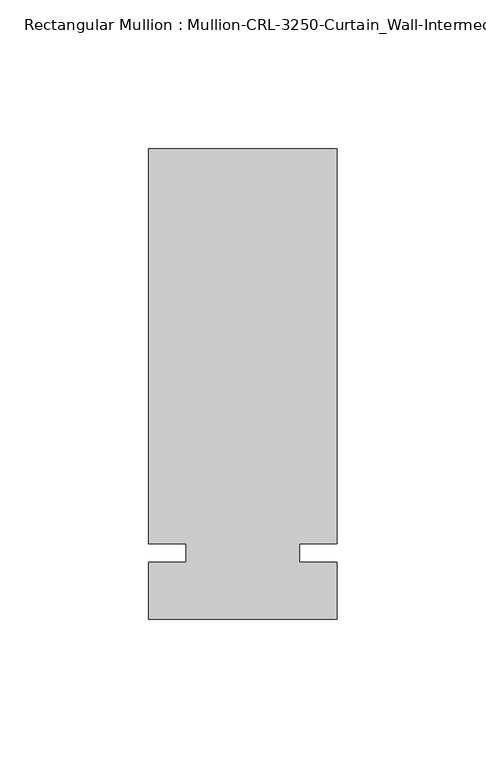
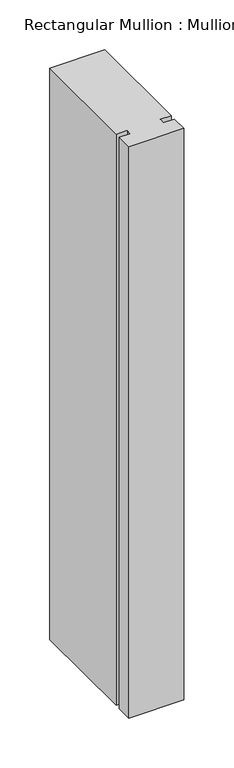
"""IFC4 building model written with IfcOpenShell, lengths in millimetres: member geometry."""

import ifcopenshell
import ifcopenshell.guid

model = None  # the IFC model being written
_history = None  # IfcOwnerHistory: only IFC2X3 demands one
_inside = {}  # id of a spatial element -> (the spatial element, [elements in it])
_under = {}  # id of a project, library or spatial element -> (it, [spatial elements below it])
_declared = {}  # id of a project -> (the project, [libraries it declares])
_typed = {}  # id of a type object -> (the type object, [elements of that type])
_made_of = {}  # id of a material, layer set ... -> (it, [elements and type objects made of it])


def new_model(schema):
    """Start an empty IFC model of exactly this schema.

    Asked for "IFC4X3", IfcOpenShell would pick the latest addendum, in which some entities
    have other attributes; the version numbers below select the first issue.
    IFC2X3 requires an IfcOwnerHistory on every rooted entity: one is made here for all.
    """
    global model, _history
    if schema == "IFC4X3":
        model = ifcopenshell.file(schema_version=(4, 3, 0, 0))
    else:
        model = ifcopenshell.file(schema=schema)
    _inside.clear()
    _under.clear()
    _declared.clear()
    _typed.clear()
    _made_of.clear()
    _history = None
    if model.schema == "IFC2X3":
        org = make("IfcOrganization", Name="unknown")
        user = make(
            "IfcPersonAndOrganization",
            ThePerson=make("IfcPerson", FamilyName="unknown"),
            TheOrganization=org,
        )
        app = make(
            "IfcApplication",
            ApplicationDeveloper=org,
            Version="unknown",
            ApplicationFullName="unknown",
            ApplicationIdentifier="unknown",
        )
        _history = make(
            "IfcOwnerHistory",
            OwningUser=user,
            OwningApplication=app,
            ChangeAction="ADDED",
            CreationDate=0,
        )
    return model


def make(cls, **values):
    """One entity of the class cls with the attributes given. An attribute that is None is left unset."""
    return model.create_entity(
        cls, **{name: value for name, value in values.items() if value is not None}
    )


def rooted(cls, **values):
    """An entity with a GlobalId (a new one), such as an element, a storey or a relation."""
    return make(cls, GlobalId=ifcopenshell.guid.new(), OwnerHistory=_history, **values)


def si_unit(unit_type, name, prefix=None):
    """IfcSIUnit, for example si_unit("LENGTHUNIT", "METRE", prefix="MILLI")."""
    return make("IfcSIUnit", UnitType=unit_type, Prefix=prefix, Name=name)


def assignment(units):
    """IfcUnitAssignment: the units of a project."""
    return None if units is None else make("IfcUnitAssignment", Units=units)


def point(xyz):
    """IfcCartesianPoint."""
    return None if xyz is None else make("IfcCartesianPoint", Coordinates=xyz)


def direction(xyz):
    """IfcDirection."""
    return None if xyz is None else make("IfcDirection", DirectionRatios=xyz)


def frame(location, z_axis=None, x_axis=None):
    """IfcAxis2Placement3D, a coordinate frame: its origin and axes. An axis left out is left unset."""
    return make(
        "IfcAxis2Placement3D",
        Location=point(location),
        Axis=direction(z_axis),
        RefDirection=direction(x_axis),
    )


def origin():
    """The frame at (0, 0, 0) with its axes left unset."""
    return frame((0.0, 0.0, 0.0))


def place(relative_to, where):
    """IfcLocalPlacement: puts the frame where relative to a parent placement (None: the world)."""
    return make(
        "IfcLocalPlacement", PlacementRelTo=relative_to, RelativePlacement=where
    )


def context(
    kind, dimensions, precision=None, world=None, true_north=None, identifier=None
):
    """IfcGeometricRepresentationContext, for example the 3D "Model" context."""
    return make(
        "IfcGeometricRepresentationContext",
        ContextIdentifier=identifier,
        ContextType=kind,
        CoordinateSpaceDimension=dimensions,
        Precision=precision,
        WorldCoordinateSystem=world,
        TrueNorth=true_north,
    )


def project(units=None, contexts=None):
    """IfcProject with its units and contexts."""
    return rooted(
        "IfcProject",
        Name="project",
        RepresentationContexts=contexts,
        UnitsInContext=assignment(units),
    )


def spatial(cls, under=None, at=None, **own):
    """A site, building, storey or space (cls), placed at a placement, below another one or the project."""
    s = rooted(cls, ObjectPlacement=at, **own)
    if under is not None:
        _under.setdefault(under.id(), (under, []))[1].append(s)
    return s


def polyline(points):
    """IfcPolyline through the points."""
    return make("IfcPolyline", Points=[point(p) for p in points])


def outline(outer, holes=None, kind="AREA"):
    """IfcArbitraryClosedProfileDef: a profile drawn as a closed curve; with holes, ...WithVoids."""
    if holes is None:
        return make("IfcArbitraryClosedProfileDef", ProfileType=kind, OuterCurve=outer)
    return make(
        "IfcArbitraryProfileDefWithVoids",
        ProfileType=kind,
        OuterCurve=outer,
        InnerCurves=holes,
    )


def extrude(swept, where, along, depth):
    """IfcExtrudedAreaSolid: the profile swept, set in the frame where, extruded along a direction by depth."""
    return make(
        "IfcExtrudedAreaSolid",
        SweptArea=swept,
        Position=where,
        ExtrudedDirection=direction(along),
        Depth=depth,
    )


def shape(context_of_items, identifier, shape_type, items):
    """IfcShapeRepresentation: the items that make up one representation, for example the "Body"."""
    return make(
        "IfcShapeRepresentation",
        ContextOfItems=context_of_items,
        RepresentationIdentifier=identifier,
        RepresentationType=shape_type,
        Items=items,
    )


def source(mapping_origin, context_of_items, identifier, shape_type, items):
    """IfcRepresentationMap: a shape defined once, which mapped items show again and again."""
    return make(
        "IfcRepresentationMap",
        MappingOrigin=mapping_origin,
        MappedRepresentation=shape(context_of_items, identifier, shape_type, items),
    )


def transform(
    local_origin,
    x_axis=None,
    y_axis=None,
    z_axis=None,
    scale=None,
    scale2=None,
    scale3=None,
    uniform=True,
):
    """IfcCartesianTransformationOperator3D, or its non-uniform kind. x_axis, y_axis, z_axis: its Axis1, 2, 3."""
    if uniform:
        return make(
            "IfcCartesianTransformationOperator3D",
            Axis1=direction(x_axis),
            Axis2=direction(y_axis),
            LocalOrigin=point(local_origin),
            Scale=scale,
            Axis3=direction(z_axis),
        )
    return make(
        "IfcCartesianTransformationOperator3DnonUniform",
        Axis1=direction(x_axis),
        Axis2=direction(y_axis),
        LocalOrigin=point(local_origin),
        Scale=scale,
        Axis3=direction(z_axis),
        Scale2=scale2,
        Scale3=scale3,
    )


def mapped(mapping_source, mapping_target):
    """IfcMappedItem: shows the shape of a source again, moved by a transform."""
    return make(
        "IfcMappedItem", MappingSource=mapping_source, MappingTarget=mapping_target
    )


def made_of(thing, what):
    """Note that an element or type object is made of a material, layer set ...; save() writes the relation."""
    if what is not None:
        _made_of.setdefault(what.id(), (what, []))[1].append(thing)
    return thing


def element(
    cls,
    number,
    at=None,
    inside=None,
    cuts=None,
    type_object=None,
    material=None,
    context=None,
    identifier="Body",
    shape_type=None,
    held_by="IfcProductDefinitionShape",
    body=None,
    shapes=None,
    **own,
):
    """One element of the class cls, such as IfcWall. Its Tag is "e" and its number.

    at: its placement. inside: the storey or other place that contains it. cuts: it is an
    opening in that element (IfcRelVoidsElement). A single representation is given by context,
    identifier, shape_type and body (its items); several are given by shapes. held_by: the class
    of the entity that holds the representations. save() writes the other relations.
    """
    e = rooted(cls, Tag="e%d" % number, ObjectPlacement=at, **own)
    if body is not None:
        shapes = [shape(context, identifier, shape_type, body)]
    if shapes is not None:
        e.Representation = make(held_by, Representations=shapes)
    if inside is not None:
        _inside.setdefault(inside.id(), (inside, []))[1].append(e)
    if cuts is not None:
        rooted(
            "IfcRelVoidsElement", RelatingBuildingElement=cuts, RelatedOpeningElement=e
        )
    if type_object is not None:
        _typed.setdefault(type_object.id(), (type_object, []))[1].append(e)
    return made_of(e, material)


def aggregate(whole, parts):
    """IfcRelAggregates: a whole, such as a stair, and the parts it consists of."""
    return rooted("IfcRelAggregates", RelatingObject=whole, RelatedObjects=parts)


def save(model, path):
    """Write the relations noted so far, then the file.

    IfcRelAggregates (storeys below a building ...), IfcRelContainedInSpatialStructure (elements
    in a storey), IfcRelDefinesByType, IfcRelAssociatesMaterial and IfcRelDeclares: one each for
    every whole, place, type object, material and project.
    """
    for whole, parts in _under.values():
        aggregate(whole, parts)
    for where, things in _inside.values():
        rooted(
            "IfcRelContainedInSpatialStructure",
            RelatedElements=things,
            RelatingStructure=where,
        )
    for kind, things in _typed.values():
        rooted("IfcRelDefinesByType", RelatedObjects=things, RelatingType=kind)
    for what, things in _made_of.values():
        rooted("IfcRelAssociatesMaterial", RelatedObjects=things, RelatingMaterial=what)
    for by, libraries in _declared.values():
        rooted("IfcRelDeclares", RelatingContext=by, RelatedDefinitions=libraries)
    model.write(path)


def member_1f19999f(model_context):
    return source(origin(), model_context, "Body", "SweptSolid", [
        extrude(outline(polyline([(31.7499985, -3.175), (31.7499985, -22.2254168), (-31.7499985, -22.2254168), (-31.7499985, -3.175), (-19.0499985, -3.175), (-19.0499985, 3.175), (-31.7499985, 3.175), (-31.7499985, 136.0175642), (31.7499985, 136.0175642), (31.7499985, 3.175), (19.0499985, 3.175), (19.0499985, -3.175), (31.7499985, -3.175)])), frame((0.0, 0.0, -698.3166731), z_axis=(0.0, 0.0, 1.0), x_axis=(1.0, 0.0, 0.0)), (0.0, 0.0, 1.0), 698.3166731),
    ])


if __name__ == "__main__":
    model = new_model("IFC4")
    model_context = context("Model", 3, world=origin())
    ifc_project = project(units=[si_unit("LENGTHUNIT", "METRE", prefix="MILLI")], contexts=[model_context])
    site = spatial("IfcSite", under=ifc_project)
    building = spatial("IfcBuilding", under=site)
    placement = place(None, origin())
    member_shape = member_1f19999f(model_context)
    element("IfcMember", 1, ObjectType="Rectangular Mullion : Mullion-CRL-3250-Curtain_Wall-Intermediate_Horizontal-5\"", at=placement, inside=building, context=model_context, shape_type="MappedRepresentation", body=[
        mapped(member_shape, transform((0.0, 0.0, 0.0), x_axis=(1.0, 0.0, 0.0), y_axis=(0.0, 1.0, 0.0), z_axis=(0.0, 0.0, 1.0))),
    ])
    save(model, "model.ifc")
